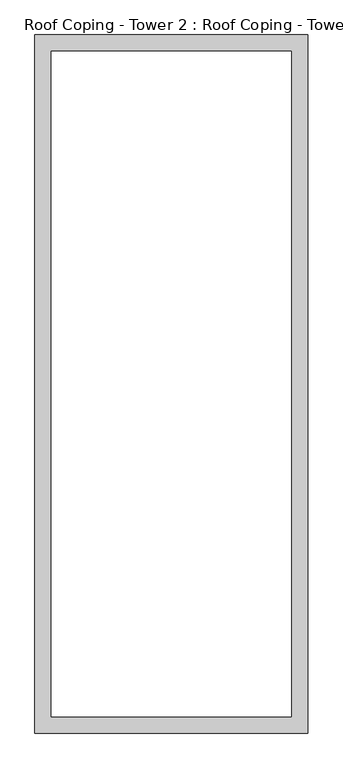
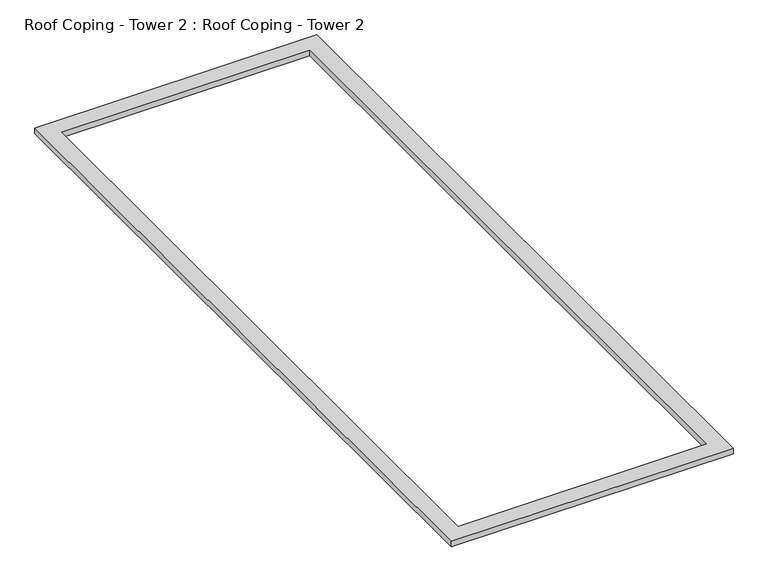
"""IFC4 building model written with IfcOpenShell, lengths in millimetres: proxy geometry, Roof Coping - Tower 2 : Roof Coping - Tower 2."""

import ifcopenshell
import ifcopenshell.guid

model = None  # the IFC model being written
_history = None  # IfcOwnerHistory: only IFC2X3 demands one
_inside = {}  # id of a spatial element -> (the spatial element, [elements in it])
_under = {}  # id of a project, library or spatial element -> (it, [spatial elements below it])
_declared = {}  # id of a project -> (the project, [libraries it declares])
_typed = {}  # id of a type object -> (the type object, [elements of that type])
_made_of = {}  # id of a material, layer set ... -> (it, [elements and type objects made of it])


def new_model(schema):
    """Start an empty IFC model of exactly this schema.

    Asked for "IFC4X3", IfcOpenShell would pick the latest addendum, in which some entities
    have other attributes; the version numbers below select the first issue.
    IFC2X3 requires an IfcOwnerHistory on every rooted entity: one is made here for all.
    """
    global model, _history
    if schema == "IFC4X3":
        model = ifcopenshell.file(schema_version=(4, 3, 0, 0))
    else:
        model = ifcopenshell.file(schema=schema)
    _inside.clear()
    _under.clear()
    _declared.clear()
    _typed.clear()
    _made_of.clear()
    _history = None
    if model.schema == "IFC2X3":
        org = make("IfcOrganization", Name="unknown")
        user = make(
            "IfcPersonAndOrganization",
            ThePerson=make("IfcPerson", FamilyName="unknown"),
            TheOrganization=org,
        )
        app = make(
            "IfcApplication",
            ApplicationDeveloper=org,
            Version="unknown",
            ApplicationFullName="unknown",
            ApplicationIdentifier="unknown",
        )
        _history = make(
            "IfcOwnerHistory",
            OwningUser=user,
            OwningApplication=app,
            ChangeAction="ADDED",
            CreationDate=0,
        )
    return model


def make(cls, **values):
    """One entity of the class cls with the attributes given. An attribute that is None is left unset."""
    return model.create_entity(
        cls, **{name: value for name, value in values.items() if value is not None}
    )


def rooted(cls, **values):
    """An entity with a GlobalId (a new one), such as an element, a storey or a relation."""
    return make(cls, GlobalId=ifcopenshell.guid.new(), OwnerHistory=_history, **values)


def si_unit(unit_type, name, prefix=None):
    """IfcSIUnit, for example si_unit("LENGTHUNIT", "METRE", prefix="MILLI")."""
    return make("IfcSIUnit", UnitType=unit_type, Prefix=prefix, Name=name)


def assignment(units):
    """IfcUnitAssignment: the units of a project."""
    return None if units is None else make("IfcUnitAssignment", Units=units)


def point(xyz):
    """IfcCartesianPoint."""
    return None if xyz is None else make("IfcCartesianPoint", Coordinates=xyz)


def direction(xyz):
    """IfcDirection."""
    return None if xyz is None else make("IfcDirection", DirectionRatios=xyz)


def frame(location, z_axis=None, x_axis=None):
    """IfcAxis2Placement3D, a coordinate frame: its origin and axes. An axis left out is left unset."""
    return make(
        "IfcAxis2Placement3D",
        Location=point(location),
        Axis=direction(z_axis),
        RefDirection=direction(x_axis),
    )


def origin():
    """The frame at (0, 0, 0) with its axes left unset."""
    return frame((0.0, 0.0, 0.0))


def place(relative_to, where):
    """IfcLocalPlacement: puts the frame where relative to a parent placement (None: the world)."""
    return make(
        "IfcLocalPlacement", PlacementRelTo=relative_to, RelativePlacement=where
    )


def context(
    kind, dimensions, precision=None, world=None, true_north=None, identifier=None
):
    """IfcGeometricRepresentationContext, for example the 3D "Model" context."""
    return make(
        "IfcGeometricRepresentationContext",
        ContextIdentifier=identifier,
        ContextType=kind,
        CoordinateSpaceDimension=dimensions,
        Precision=precision,
        WorldCoordinateSystem=world,
        TrueNorth=true_north,
    )


def project(units=None, contexts=None):
    """IfcProject with its units and contexts."""
    return rooted(
        "IfcProject",
        Name="project",
        RepresentationContexts=contexts,
        UnitsInContext=assignment(units),
    )


def spatial(cls, under=None, at=None, **own):
    """A site, building, storey or space (cls), placed at a placement, below another one or the project."""
    s = rooted(cls, ObjectPlacement=at, **own)
    if under is not None:
        _under.setdefault(under.id(), (under, []))[1].append(s)
    return s


def faces_of(points, faces, orient=None, outer=None):
    """IfcFace entities. A face is a list of loops; a loop is a list of indices into points, from 0.

    orient and outer hold one flag for each loop. By default every Orientation is true, the
    first loop of a face is its IfcFaceOuterBound and the others are IfcFaceBound.
    """
    made = []
    for i, loops in enumerate(faces):
        bounds = []
        for j, loop in enumerate(loops):
            is_outer = j == 0 if outer is None else outer[i][j]
            bounds.append(
                make(
                    "IfcFaceOuterBound" if is_outer else "IfcFaceBound",
                    Bound=make("IfcPolyLoop", Polygon=[points[k] for k in loop]),
                    Orientation=True if orient is None else orient[i][j],
                )
            )
        made.append(make("IfcFace", Bounds=bounds))
    return made


def faceted_brep(points, faces, orient=None, outer=None, voids=None):
    """IfcFacetedBrep: a solid bounded by flat faces; with voids (closed shells), ...WithVoids."""
    shared = [point(p) for p in points]
    hull = make("IfcClosedShell", CfsFaces=faces_of(shared, faces, orient, outer))
    if voids is None:
        return make("IfcFacetedBrep", Outer=hull)
    return make(
        "IfcFacetedBrepWithVoids",
        Outer=hull,
        Voids=[
            make(cls, CfsFaces=faces_of(shared, fs, o, b)) for cls, fs, o, b in voids
        ],
    )


def shape(context_of_items, identifier, shape_type, items):
    """IfcShapeRepresentation: the items that make up one representation, for example the "Body"."""
    return make(
        "IfcShapeRepresentation",
        ContextOfItems=context_of_items,
        RepresentationIdentifier=identifier,
        RepresentationType=shape_type,
        Items=items,
    )


def source(mapping_origin, context_of_items, identifier, shape_type, items):
    """IfcRepresentationMap: a shape defined once, which mapped items show again and again."""
    return make(
        "IfcRepresentationMap",
        MappingOrigin=mapping_origin,
        MappedRepresentation=shape(context_of_items, identifier, shape_type, items),
    )


def transform(
    local_origin,
    x_axis=None,
    y_axis=None,
    z_axis=None,
    scale=None,
    scale2=None,
    scale3=None,
    uniform=True,
):
    """IfcCartesianTransformationOperator3D, or its non-uniform kind. x_axis, y_axis, z_axis: its Axis1, 2, 3."""
    if uniform:
        return make(
            "IfcCartesianTransformationOperator3D",
            Axis1=direction(x_axis),
            Axis2=direction(y_axis),
            LocalOrigin=point(local_origin),
            Scale=scale,
            Axis3=direction(z_axis),
        )
    return make(
        "IfcCartesianTransformationOperator3DnonUniform",
        Axis1=direction(x_axis),
        Axis2=direction(y_axis),
        LocalOrigin=point(local_origin),
        Scale=scale,
        Axis3=direction(z_axis),
        Scale2=scale2,
        Scale3=scale3,
    )


def mapped(mapping_source, mapping_target):
    """IfcMappedItem: shows the shape of a source again, moved by a transform."""
    return make(
        "IfcMappedItem", MappingSource=mapping_source, MappingTarget=mapping_target
    )


def made_of(thing, what):
    """Note that an element or type object is made of a material, layer set ...; save() writes the relation."""
    if what is not None:
        _made_of.setdefault(what.id(), (what, []))[1].append(thing)
    return thing


def element(
    cls,
    number,
    at=None,
    inside=None,
    cuts=None,
    type_object=None,
    material=None,
    context=None,
    identifier="Body",
    shape_type=None,
    held_by="IfcProductDefinitionShape",
    body=None,
    shapes=None,
    **own,
):
    """One element of the class cls, such as IfcWall. Its Tag is "e" and its number.

    at: its placement. inside: the storey or other place that contains it. cuts: it is an
    opening in that element (IfcRelVoidsElement). A single representation is given by context,
    identifier, shape_type and body (its items); several are given by shapes. held_by: the class
    of the entity that holds the representations. save() writes the other relations.
    """
    e = rooted(cls, Tag="e%d" % number, ObjectPlacement=at, **own)
    if body is not None:
        shapes = [shape(context, identifier, shape_type, body)]
    if shapes is not None:
        e.Representation = make(held_by, Representations=shapes)
    if inside is not None:
        _inside.setdefault(inside.id(), (inside, []))[1].append(e)
    if cuts is not None:
        rooted(
            "IfcRelVoidsElement", RelatingBuildingElement=cuts, RelatedOpeningElement=e
        )
    if type_object is not None:
        _typed.setdefault(type_object.id(), (type_object, []))[1].append(e)
    return made_of(e, material)


def aggregate(whole, parts):
    """IfcRelAggregates: a whole, such as a stair, and the parts it consists of."""
    return rooted("IfcRelAggregates", RelatingObject=whole, RelatedObjects=parts)


def save(model, path):
    """Write the relations noted so far, then the file.

    IfcRelAggregates (storeys below a building ...), IfcRelContainedInSpatialStructure (elements
    in a storey), IfcRelDefinesByType, IfcRelAssociatesMaterial and IfcRelDeclares: one each for
    every whole, place, type object, material and project.
    """
    for whole, parts in _under.values():
        aggregate(whole, parts)
    for where, things in _inside.values():
        rooted(
            "IfcRelContainedInSpatialStructure",
            RelatedElements=things,
            RelatingStructure=where,
        )
    for kind, things in _typed.values():
        rooted("IfcRelDefinesByType", RelatedObjects=things, RelatingType=kind)
    for what, things in _made_of.values():
        rooted("IfcRelAssociatesMaterial", RelatedObjects=things, RelatingMaterial=what)
    for by, libraries in _declared.values():
        rooted("IfcRelDeclares", RelatingContext=by, RelatedDefinitions=libraries)
    model.write(path)


def roof_coping_tower_2_roof_coping_tower_2_f6d395fb(model_context):
    return source(origin(), model_context, "Body", "Brep", [
        faceted_brep([(25879.9250814, -25002.2248986, 17500.0), (25879.9250814, -25002.2248986, 17410.0), (20692.4250814, -25002.2248986, 17410.0), (20692.4250814, -25002.2248986, 17500.0), (25604.9250814, -24727.2248986, 17410.0), (25604.9250814, -24727.2248986, 17500.0), (20967.4250814, -24727.2248986, 17500.0), (20967.4250814, -24727.2248986, 17410.0), (25584.9250814, -24707.2248986, 17520.0), (25584.9250814, -24707.2248986, 17410.0), (20987.4250814, -24707.2248986, 17410.0), (20987.4250814, -24707.2248986, 17520.0), (25899.9250814, -25022.2248986, 17410.0), (25899.9250814, -25022.2248986, 17520.0), (20672.4250814, -25022.2248986, 17520.0), (20672.4250814, -25022.2248986, 17410.0), (20692.4250814, -11664.7248986, 17410.0), (20692.4250814, -11664.7248986, 17500.0), (20967.4250814, -11939.7248986, 17500.0), (20967.4250814, -11939.7248986, 17410.0), (20987.4250814, -11959.7248986, 17410.0), (20987.4250814, -11959.7248986, 17520.0), (20672.4250814, -11644.7248986, 17520.0), (20672.4250814, -11644.7248986, 17410.0), (25879.9250814, -11664.7248986, 17410.0), (25879.9250814, -11664.7248986, 17500.0), (25604.9250814, -11939.7248986, 17500.0), (25604.9250814, -11939.7248986, 17410.0), (25584.9250814, -11959.7248986, 17410.0), (25584.9250814, -11959.7248986, 17520.0), (25899.9250814, -11644.7248986, 17520.0), (25899.9250814, -11644.7248986, 17410.0)], [[[0, 1, 2, 3]], [[4, 5, 6, 7]], [[8, 9, 10, 11]], [[12, 13, 14, 15]], [[3, 2, 16, 17]], [[7, 6, 18, 19]], [[11, 10, 20, 21]], [[15, 14, 22, 23]], [[17, 16, 24, 25]], [[19, 18, 26, 27]], [[21, 20, 28, 29]], [[23, 22, 30, 31]], [[25, 24, 1, 0]], [[3, 17, 25, 0], [5, 26, 18, 6]], [[27, 26, 5, 4]], [[7, 19, 27, 4], [9, 28, 20, 10]], [[29, 28, 9, 8]], [[13, 30, 22, 14], [11, 21, 29, 8]], [[31, 30, 13, 12]], [[15, 23, 31, 12], [1, 24, 16, 2]]]),
    ])


if __name__ == "__main__":
    model = new_model("IFC4")
    model_context = context("Model", 3, world=origin())
    ifc_project = project(units=[si_unit("LENGTHUNIT", "METRE", prefix="MILLI")], contexts=[model_context])
    site = spatial("IfcSite", under=ifc_project)
    building = spatial("IfcBuilding", under=site)
    placement = place(None, origin())
    roof_coping_tower_2_roof_coping_tower_2_shape = roof_coping_tower_2_roof_coping_tower_2_f6d395fb(model_context)
    element("IfcBuildingElementProxy", 1, Name="Roof Coping - Tower 2 : Roof Coping - Tower 2", ObjectType="Roof Coping - Tower 2 : Roof Coping - Tower 2", at=placement, inside=building, context=model_context, shape_type="MappedRepresentation", body=[
        mapped(roof_coping_tower_2_roof_coping_tower_2_shape, transform((0.0, 0.0, 0.0), x_axis=(1.0, 0.0, 0.0), y_axis=(0.0, 1.0, 0.0), z_axis=(0.0, 0.0, 1.0))),
    ])
    save(model, "model.ifc")
